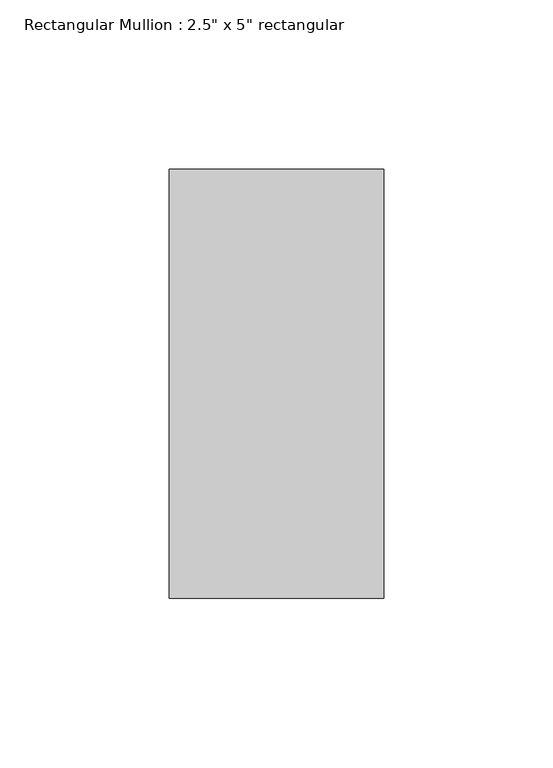
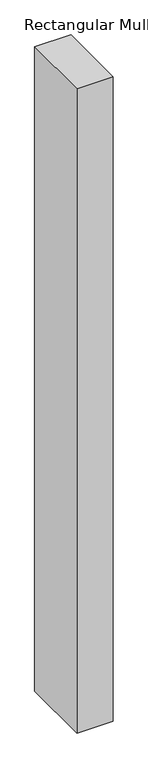
"""IFC4 building model written with IfcOpenShell, lengths in millimetres: member geometry."""

from ifc_helpers import new_model, si_unit, frame, origin, place, context, project, spatial, polyline, outline, extrude, source, transform, mapped, element, save


def member_a73ad8ba(model_context):
    return source(origin(), model_context, "Body", "SweptSolid", [
        extrude(outline(polyline([(0.0, 63.5), (0.0, -63.5), (-63.5, -63.5), (-63.5, 63.5), (0.0, 63.5)])), frame((0.0, 0.0, -1186.5), z_axis=(0.0, 0.0, 1.0), x_axis=(1.0, 0.0, 0.0)), (0.0, 0.0, 1.0), 1186.5),
    ])


if __name__ == "__main__":
    model = new_model("IFC4")
    model_context = context("Model", 3, world=origin())
    ifc_project = project(units=[si_unit("LENGTHUNIT", "METRE", prefix="MILLI")], contexts=[model_context])
    site = spatial("IfcSite", under=ifc_project)
    building = spatial("IfcBuilding", under=site)
    placement = place(None, origin())
    member_shape = member_a73ad8ba(model_context)
    element("IfcMember", 1, ObjectType="Rectangular Mullion : 2.5\" x 5\" rectangular", at=placement, inside=building, context=model_context, shape_type="MappedRepresentation", body=[
        mapped(member_shape, transform((0.0, 0.0, 0.0), x_axis=(1.0, 0.0, 0.0), y_axis=(0.0, 1.0, 0.0), z_axis=(0.0, 0.0, 1.0))),
    ])
    save(model, "model.ifc")
